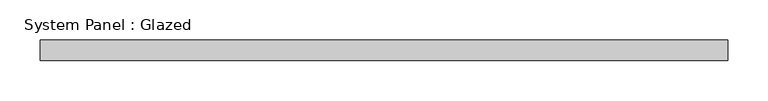
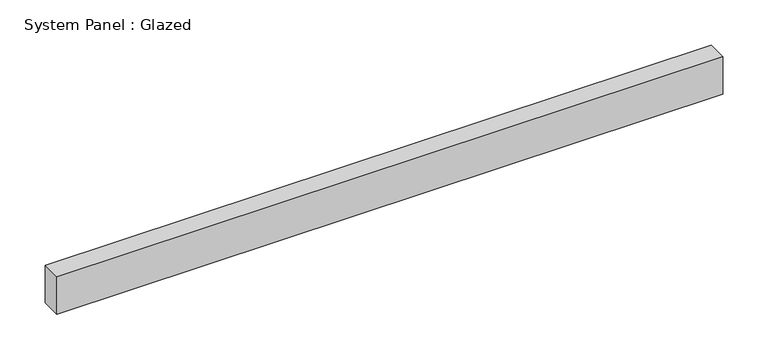
"""IFC4 building model written with IfcOpenShell, lengths in millimetres: plate geometry, System Panel : Glazed."""

import ifcopenshell
import ifcopenshell.guid

model = None  # the IFC model being written
_history = None  # IfcOwnerHistory: only IFC2X3 demands one
_inside = {}  # id of a spatial element -> (the spatial element, [elements in it])
_under = {}  # id of a project, library or spatial element -> (it, [spatial elements below it])
_declared = {}  # id of a project -> (the project, [libraries it declares])
_typed = {}  # id of a type object -> (the type object, [elements of that type])
_made_of = {}  # id of a material, layer set ... -> (it, [elements and type objects made of it])


def new_model(schema):
    """Start an empty IFC model of exactly this schema.

    Asked for "IFC4X3", IfcOpenShell would pick the latest addendum, in which some entities
    have other attributes; the version numbers below select the first issue.
    IFC2X3 requires an IfcOwnerHistory on every rooted entity: one is made here for all.
    """
    global model, _history
    if schema == "IFC4X3":
        model = ifcopenshell.file(schema_version=(4, 3, 0, 0))
    else:
        model = ifcopenshell.file(schema=schema)
    _inside.clear()
    _under.clear()
    _declared.clear()
    _typed.clear()
    _made_of.clear()
    _history = None
    if model.schema == "IFC2X3":
        org = make("IfcOrganization", Name="unknown")
        user = make(
            "IfcPersonAndOrganization",
            ThePerson=make("IfcPerson", FamilyName="unknown"),
            TheOrganization=org,
        )
        app = make(
            "IfcApplication",
            ApplicationDeveloper=org,
            Version="unknown",
            ApplicationFullName="unknown",
            ApplicationIdentifier="unknown",
        )
        _history = make(
            "IfcOwnerHistory",
            OwningUser=user,
            OwningApplication=app,
            ChangeAction="ADDED",
            CreationDate=0,
        )
    return model


def make(cls, **values):
    """One entity of the class cls with the attributes given. An attribute that is None is left unset."""
    return model.create_entity(
        cls, **{name: value for name, value in values.items() if value is not None}
    )


def rooted(cls, **values):
    """An entity with a GlobalId (a new one), such as an element, a storey or a relation."""
    return make(cls, GlobalId=ifcopenshell.guid.new(), OwnerHistory=_history, **values)


def si_unit(unit_type, name, prefix=None):
    """IfcSIUnit, for example si_unit("LENGTHUNIT", "METRE", prefix="MILLI")."""
    return make("IfcSIUnit", UnitType=unit_type, Prefix=prefix, Name=name)


def assignment(units):
    """IfcUnitAssignment: the units of a project."""
    return None if units is None else make("IfcUnitAssignment", Units=units)


def point(xyz):
    """IfcCartesianPoint."""
    return None if xyz is None else make("IfcCartesianPoint", Coordinates=xyz)


def direction(xyz):
    """IfcDirection."""
    return None if xyz is None else make("IfcDirection", DirectionRatios=xyz)


def frame(location, z_axis=None, x_axis=None):
    """IfcAxis2Placement3D, a coordinate frame: its origin and axes. An axis left out is left unset."""
    return make(
        "IfcAxis2Placement3D",
        Location=point(location),
        Axis=direction(z_axis),
        RefDirection=direction(x_axis),
    )


def origin():
    """The frame at (0, 0, 0) with its axes left unset."""
    return frame((0.0, 0.0, 0.0))


def origin_with_axes():
    """The frame at (0, 0, 0) with the z axis (0, 0, 1) and the x axis (1, 0, 0) written out."""
    return frame((0.0, 0.0, 0.0), z_axis=(0.0, 0.0, 1.0), x_axis=(1.0, 0.0, 0.0))


def place(relative_to, where):
    """IfcLocalPlacement: puts the frame where relative to a parent placement (None: the world)."""
    return make(
        "IfcLocalPlacement", PlacementRelTo=relative_to, RelativePlacement=where
    )


def context(
    kind, dimensions, precision=None, world=None, true_north=None, identifier=None
):
    """IfcGeometricRepresentationContext, for example the 3D "Model" context."""
    return make(
        "IfcGeometricRepresentationContext",
        ContextIdentifier=identifier,
        ContextType=kind,
        CoordinateSpaceDimension=dimensions,
        Precision=precision,
        WorldCoordinateSystem=world,
        TrueNorth=true_north,
    )


def project(units=None, contexts=None):
    """IfcProject with its units and contexts."""
    return rooted(
        "IfcProject",
        Name="project",
        RepresentationContexts=contexts,
        UnitsInContext=assignment(units),
    )


def spatial(cls, under=None, at=None, **own):
    """A site, building, storey or space (cls), placed at a placement, below another one or the project."""
    s = rooted(cls, ObjectPlacement=at, **own)
    if under is not None:
        _under.setdefault(under.id(), (under, []))[1].append(s)
    return s


def polyline(points):
    """IfcPolyline through the points."""
    return make("IfcPolyline", Points=[point(p) for p in points])


def outline(outer, holes=None, kind="AREA"):
    """IfcArbitraryClosedProfileDef: a profile drawn as a closed curve; with holes, ...WithVoids."""
    if holes is None:
        return make("IfcArbitraryClosedProfileDef", ProfileType=kind, OuterCurve=outer)
    return make(
        "IfcArbitraryProfileDefWithVoids",
        ProfileType=kind,
        OuterCurve=outer,
        InnerCurves=holes,
    )


def extrude(swept, where, along, depth):
    """IfcExtrudedAreaSolid: the profile swept, set in the frame where, extruded along a direction by depth."""
    return make(
        "IfcExtrudedAreaSolid",
        SweptArea=swept,
        Position=where,
        ExtrudedDirection=direction(along),
        Depth=depth,
    )


def shape(context_of_items, identifier, shape_type, items):
    """IfcShapeRepresentation: the items that make up one representation, for example the "Body"."""
    return make(
        "IfcShapeRepresentation",
        ContextOfItems=context_of_items,
        RepresentationIdentifier=identifier,
        RepresentationType=shape_type,
        Items=items,
    )


def source(mapping_origin, context_of_items, identifier, shape_type, items):
    """IfcRepresentationMap: a shape defined once, which mapped items show again and again."""
    return make(
        "IfcRepresentationMap",
        MappingOrigin=mapping_origin,
        MappedRepresentation=shape(context_of_items, identifier, shape_type, items),
    )


def transform(
    local_origin,
    x_axis=None,
    y_axis=None,
    z_axis=None,
    scale=None,
    scale2=None,
    scale3=None,
    uniform=True,
):
    """IfcCartesianTransformationOperator3D, or its non-uniform kind. x_axis, y_axis, z_axis: its Axis1, 2, 3."""
    if uniform:
        return make(
            "IfcCartesianTransformationOperator3D",
            Axis1=direction(x_axis),
            Axis2=direction(y_axis),
            LocalOrigin=point(local_origin),
            Scale=scale,
            Axis3=direction(z_axis),
        )
    return make(
        "IfcCartesianTransformationOperator3DnonUniform",
        Axis1=direction(x_axis),
        Axis2=direction(y_axis),
        LocalOrigin=point(local_origin),
        Scale=scale,
        Axis3=direction(z_axis),
        Scale2=scale2,
        Scale3=scale3,
    )


def mapped(mapping_source, mapping_target):
    """IfcMappedItem: shows the shape of a source again, moved by a transform."""
    return make(
        "IfcMappedItem", MappingSource=mapping_source, MappingTarget=mapping_target
    )


def made_of(thing, what):
    """Note that an element or type object is made of a material, layer set ...; save() writes the relation."""
    if what is not None:
        _made_of.setdefault(what.id(), (what, []))[1].append(thing)
    return thing


def element(
    cls,
    number,
    at=None,
    inside=None,
    cuts=None,
    type_object=None,
    material=None,
    context=None,
    identifier="Body",
    shape_type=None,
    held_by="IfcProductDefinitionShape",
    body=None,
    shapes=None,
    **own,
):
    """One element of the class cls, such as IfcWall. Its Tag is "e" and its number.

    at: its placement. inside: the storey or other place that contains it. cuts: it is an
    opening in that element (IfcRelVoidsElement). A single representation is given by context,
    identifier, shape_type and body (its items); several are given by shapes. held_by: the class
    of the entity that holds the representations. save() writes the other relations.
    """
    e = rooted(cls, Tag="e%d" % number, ObjectPlacement=at, **own)
    if body is not None:
        shapes = [shape(context, identifier, shape_type, body)]
    if shapes is not None:
        e.Representation = make(held_by, Representations=shapes)
    if inside is not None:
        _inside.setdefault(inside.id(), (inside, []))[1].append(e)
    if cuts is not None:
        rooted(
            "IfcRelVoidsElement", RelatingBuildingElement=cuts, RelatedOpeningElement=e
        )
    if type_object is not None:
        _typed.setdefault(type_object.id(), (type_object, []))[1].append(e)
    return made_of(e, material)


def aggregate(whole, parts):
    """IfcRelAggregates: a whole, such as a stair, and the parts it consists of."""
    return rooted("IfcRelAggregates", RelatingObject=whole, RelatedObjects=parts)


def save(model, path):
    """Write the relations noted so far, then the file.

    IfcRelAggregates (storeys below a building ...), IfcRelContainedInSpatialStructure (elements
    in a storey), IfcRelDefinesByType, IfcRelAssociatesMaterial and IfcRelDeclares: one each for
    every whole, place, type object, material and project.
    """
    for whole, parts in _under.values():
        aggregate(whole, parts)
    for where, things in _inside.values():
        rooted(
            "IfcRelContainedInSpatialStructure",
            RelatedElements=things,
            RelatingStructure=where,
        )
    for kind, things in _typed.values():
        rooted("IfcRelDefinesByType", RelatedObjects=things, RelatingType=kind)
    for what, things in _made_of.values():
        rooted("IfcRelAssociatesMaterial", RelatedObjects=things, RelatingMaterial=what)
    for by, libraries in _declared.values():
        rooted("IfcRelDeclares", RelatingContext=by, RelatedDefinitions=libraries)
    model.write(path)


def system_panel_glazed_b0d919f2(model_context):
    return source(origin(), model_context, "Body", "SweptSolid", [
        extrude(outline(polyline([(425.45, 19.05), (-425.45, 19.05), (-425.45, 44.45), (425.45, 44.45), (425.45, 19.05)])), origin_with_axes(), (0.0, 0.0, 1.0), 50.8),
    ])


if __name__ == "__main__":
    model = new_model("IFC4")
    model_context = context("Model", 3, world=origin())
    ifc_project = project(units=[si_unit("LENGTHUNIT", "METRE", prefix="MILLI")], contexts=[model_context])
    site = spatial("IfcSite", under=ifc_project)
    building = spatial("IfcBuilding", under=site)
    placement = place(None, origin())
    system_panel_glazed_shape = system_panel_glazed_b0d919f2(model_context)
    element("IfcPlate", 1, ObjectType="System Panel : Glazed", at=placement, inside=building, context=model_context, shape_type="MappedRepresentation", body=[
        mapped(system_panel_glazed_shape, transform((0.0, 0.0, 0.0), x_axis=(1.0, 0.0, 0.0), y_axis=(0.0, 1.0, 0.0), z_axis=(0.0, 0.0, 1.0))),
    ])
    save(model, "model.ifc")
